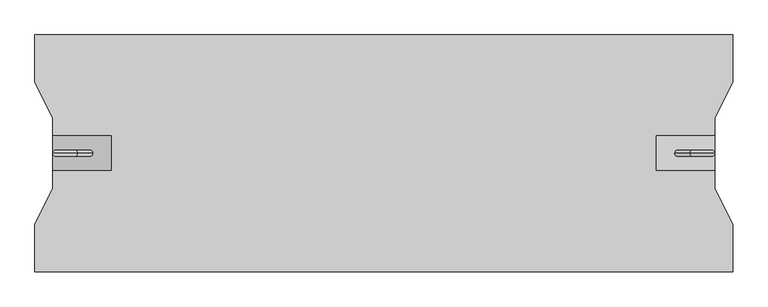
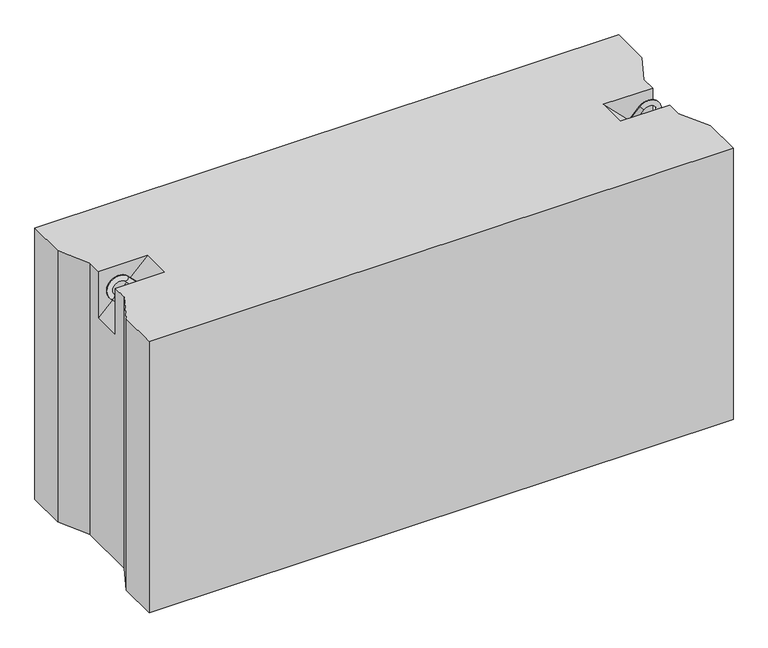
"""IFC4 building model written with IfcOpenShell, lengths in millimetres: proxy geometry."""

from ifc_helpers import new_model, si_unit, point, frame, origin, place, context, project, spatial, circle_curve, ellipse_curve, trimmed, faceted_brep, source, transform, mapped, element, save
from ifc_brep_helpers import plane_surface, cylinder_surface, revolved_surface, advanced_brep


def generic_models_4e218c60(model_context):
    return source(origin(), model_context, "Body", "SolidModel", [
        advanced_brep(
        [(1082.3223305, 0.0, 547.6776695), (1089.3933983, 0.0, 540.6066017), (1114.3933983, 0.0, 565.6066017), (1107.3223305, 0.0, 572.6776695), (1135.6066017, 0.0, 544.3933983), (1142.6776695, 0.0, 537.3223305), (1117.6776695, 0.0, 512.3223305), (1110.6066017, 0.0, 519.3933983)],
        [
            (0, 1, circle_curve(frame((1085.8578644, 0.0, 544.1421356), z_axis=(-0.7071067811865482, 0.0, -0.7071067811865468), x_axis=(0.7071067811865468, 0.0, -0.7071067811865482)), 5.0)),
            (1, 0, circle_curve(frame((1085.8578644, 0.0, 544.1421356), z_axis=(-0.7071067811865482, 0.0, -0.7071067811865468), x_axis=(0.7071067811865468, 0.0, -0.7071067811865482)), 5.0)),
            (1, 2),
            (2, 3, circle_curve(frame((1110.8578644, 0.0, 569.1421356), z_axis=(-0.7071067811865482, 0.0, -0.7071067811865468), x_axis=(0.7071067811865468, 0.0, -0.7071067811865482)), 5.0)),
            (3, 0),
            (3, 2, circle_curve(frame((1110.8578644, 0.0, 569.1421356), z_axis=(-0.7071067811865482, 0.0, -0.7071067811865468), x_axis=(0.7071067811865468, 0.0, -0.7071067811865482)), 5.0)),
            (4, 5, circle_curve(frame((1139.1421356, 0.0, 540.8578644), z_axis=(0.7071067811865457, 0.0, 0.7071067811865493), x_axis=(-0.7071067811865493, 0.0, 0.7071067811865457)), 5.0)),
            (5, 3, circle_curve(frame((1125.0, 0.0, 555.0), z_axis=(0.0, -1.0, 0.0), x_axis=(-0.7071067811865468, 0.0, 0.7071067811865482)), 25.0)),
            (2, 4, circle_curve(frame((1125.0, 0.0, 555.0), z_axis=(0.0, 1.0, 0.0), x_axis=(-0.7071067811865468, 0.0, 0.7071067811865482)), 15.0)),
            (5, 4, circle_curve(frame((1139.1421356, 0.0, 540.8578644), z_axis=(0.7071067811865459, 0.0, 0.7071067811865491), x_axis=(-0.7071067811865491, 0.0, 0.7071067811865459)), 5.0)),
            (6, 7, circle_curve(frame((1114.1421356, 0.0, 515.8578644), z_axis=(-0.7071067811865505, 0.0, -0.7071067811865446), x_axis=(-0.7071067811865446, 0.0, 0.7071067811865505)), 5.0)),
            (7, 6, circle_curve(frame((1114.1421356, 0.0, 515.8578644), z_axis=(-0.7071067811865505, 0.0, -0.7071067811865446), x_axis=(-0.7071067811865446, 0.0, 0.7071067811865505)), 5.0)),
            (4, 7),
            (6, 5),
        ],
        [
            plane_surface(frame((1082.3223305, 0.0, 547.6776695), z_axis=(-0.7071067811865482, 0.0, -0.7071067811865468), x_axis=(0.0, -1.0, 0.0))),
            cylinder_surface(frame((1085.8578644, 0.0, 544.1421356), z_axis=(-0.7071067811865482, 0.0, -0.7071067811865468), x_axis=(0.7071067811865468, 0.0, -0.7071067811865482)), 5.0),
            revolved_surface(trimmed(ellipse_curve(frame((1110.8578644, 0.0, 569.1421356), z_axis=(0.7071067811865482, 0.0, 0.7071067811865468), x_axis=(0.7071067811865468, 0.0, -0.7071067811865482)), 5.0, 5.0), [point((1107.3223305, 0.0, 572.6776695))], [point((1114.3933983, 0.0, 565.6066017))], True, "CARTESIAN"), (1125.0, 0.0, 555.0), (0.0, -1.0, 0.0)),
            revolved_surface(trimmed(ellipse_curve(frame((1110.8578644, 0.0, 569.1421356), z_axis=(0.7071067811865482, 0.0, 0.7071067811865468), x_axis=(0.7071067811865468, 0.0, -0.7071067811865482)), 5.0, 5.0), [point((1114.3933983, 0.0, 565.6066017))], [point((1107.3223305, 0.0, 572.6776695))], True, "CARTESIAN"), (1125.0, 0.0, 555.0), (0.0, -1.0, 0.0)),
            plane_surface(frame((1117.6776695, 0.0, 512.3223305), z_axis=(-0.7071067811865505, 0.0, -0.7071067811865446), x_axis=(0.0, -1.0, 0.0))),
            cylinder_surface(frame((1139.1421356, 0.0, 540.8578644), z_axis=(0.7071067811865505, 0.0, 0.7071067811865446), x_axis=(-0.7071067811865446, 0.0, 0.7071067811865505)), 5.0),
        ],
        [
            (0, [[1, 2]]),
            (1, [[3, 4, 5, -2]]),
            (1, [[-5, 6, -3, -1]]),
            (2, [[7, 8, -4, 9]]),
            (3, [[10, -9, -6, -8]]),
            (4, [[11, 12]]),
            (5, [[13, -11, 14, -7]]),
            (5, [[-14, -12, -13, -10]]),
        ],
    ),
        advanced_brep(
        [(97.6776695, 0.0, 547.6776695), (90.6066017, 0.0, 540.6066017), (72.6776695, 0.0, 572.6776695), (65.6066017, 0.0, 565.6066017), (44.3933983, 0.0, 544.3933983), (37.3223305, 0.0, 537.3223305), (62.3223305, 0.0, 512.3223305), (69.3933983, 0.0, 519.3933983)],
        [
            (0, 1, circle_curve(frame((94.1421356, 0.0, 544.1421356), z_axis=(0.707106781186546, 0.0, -0.707106781186549), x_axis=(-0.707106781186549, 0.0, -0.707106781186546)), 5.0)),
            (1, 0, circle_curve(frame((94.1421356, 0.0, 544.1421356), z_axis=(0.707106781186546, 0.0, -0.707106781186549), x_axis=(-0.707106781186549, 0.0, -0.707106781186546)), 5.0)),
            (0, 2),
            (2, 3, circle_curve(frame((69.1421356, 0.0, 569.1421356), z_axis=(0.707106781186546, 0.0, -0.707106781186549), x_axis=(-0.707106781186549, 0.0, -0.707106781186546)), 5.0)),
            (3, 1),
            (3, 2, circle_curve(frame((69.1421356, 0.0, 569.1421356), z_axis=(0.707106781186546, 0.0, -0.707106781186549), x_axis=(-0.707106781186549, 0.0, -0.707106781186546)), 5.0)),
            (4, 3, circle_curve(frame((55.0, 0.0, 555.0), z_axis=(0.0, 1.0, 0.0), x_axis=(0.707106781186549, 0.0, 0.707106781186546)), 15.0)),
            (2, 5, circle_curve(frame((55.0, 0.0, 555.0), z_axis=(0.0, -1.0, 0.0), x_axis=(0.707106781186549, 0.0, 0.707106781186546)), 25.0)),
            (5, 4, circle_curve(frame((40.8578644, 0.0, 540.8578644), z_axis=(-0.7071067811865437, 0.0, 0.7071067811865513), x_axis=(0.7071067811865513, 0.0, 0.7071067811865437)), 5.0)),
            (4, 5, circle_curve(frame((40.8578644, 0.0, 540.8578644), z_axis=(-0.7071067811865437, 0.0, 0.7071067811865513), x_axis=(0.7071067811865513, 0.0, 0.7071067811865437)), 5.0)),
            (6, 7, circle_curve(frame((65.8578644, 0.0, 515.8578644), z_axis=(0.7071067811865482, 0.0, -0.7071067811865468), x_axis=(0.7071067811865468, 0.0, 0.7071067811865482)), 5.0)),
            (7, 6, circle_curve(frame((65.8578644, 0.0, 515.8578644), z_axis=(0.7071067811865482, 0.0, -0.7071067811865468), x_axis=(0.7071067811865468, 0.0, 0.7071067811865482)), 5.0)),
            (5, 6),
            (7, 4),
        ],
        [
            plane_surface(frame((97.6776695, 0.0, 547.6776695), z_axis=(0.707106781186546, 0.0, -0.707106781186549), x_axis=(0.0, -1.0, 0.0))),
            cylinder_surface(frame((94.1421356, 0.0, 544.1421356), z_axis=(0.707106781186546, 0.0, -0.707106781186549), x_axis=(-0.707106781186549, 0.0, -0.707106781186546)), 5.0),
            revolved_surface(trimmed(ellipse_curve(frame((69.1421356, 0.0, 569.1421356), z_axis=(0.707106781186546, 0.0, -0.707106781186549), x_axis=(-0.707106781186549, 0.0, -0.707106781186546)), 5.0, 5.0), [point((72.6776695, 0.0, 572.6776695))], [point((65.6066017, 0.0, 565.6066017))], True, "CARTESIAN"), (55.0, 0.0, 555.0), (0.0, -1.0, 0.0)),
            revolved_surface(trimmed(ellipse_curve(frame((69.1421356, 0.0, 569.1421356), z_axis=(0.707106781186546, 0.0, -0.707106781186549), x_axis=(-0.707106781186549, 0.0, -0.707106781186546)), 5.0, 5.0), [point((65.6066017, 0.0, 565.6066017))], [point((72.6776695, 0.0, 572.6776695))], True, "CARTESIAN"), (55.0, 0.0, 555.0), (0.0, -1.0, 0.0)),
            plane_surface(frame((62.3223305, 0.0, 512.3223305), z_axis=(0.7071067811865482, 0.0, -0.7071067811865468), x_axis=(0.0, -1.0, 0.0))),
            cylinder_surface(frame((40.8578644, 0.0, 540.8578644), z_axis=(-0.7071067811865482, 0.0, 0.7071067811865468), x_axis=(0.7071067811865468, 0.0, 0.7071067811865482)), 5.0),
        ],
        [
            (0, [[1, 2]]),
            (1, [[-1, 3, 4, 5]]),
            (1, [[-2, -5, 6, -3]]),
            (2, [[7, -4, 8, 9]]),
            (3, [[-8, -6, -7, 10]]),
            (4, [[11, 12]]),
            (5, [[-9, 13, -12, 14]]),
            (5, [[-10, -14, -11, -13]]),
        ],
    ),
        faceted_brep([(1180.0, 200.0, 580.0), (0.0, 200.0, 580.0), (0.0, 120.0, 580.0), (30.0, 60.0, 580.0), (30.0, 30.0, 580.0), (130.0, 30.0, 580.0), (130.0, -30.0, 580.0), (30.0, -30.0, 580.0), (30.0, -60.0, 580.0), (0.0, -120.0, 580.0), (0.0, -200.0, 580.0), (1180.0, -200.0, 580.0), (1180.0, -120.0, 580.0), (1150.0, -60.0, 580.0), (1150.0, -30.0, 580.0), (1050.0, -30.0, 580.0), (1050.0, 30.0, 580.0), (1150.0, 30.0, 580.0), (1150.0, 60.0, 580.0), (1180.0, 120.0, 580.0), (1180.0, 200.0, 0.0), (1180.0, 120.0, 0.0), (1150.0, 60.0, 0.0), (1150.0, -60.0, 0.0), (1180.0, -120.0, 0.0), (1180.0, -200.0, 0.0), (0.0, -200.0, 0.0), (0.0, -120.0, 0.0), (30.0, -60.0, 0.0), (30.0, 60.0, 0.0), (0.0, 120.0, 0.0), (0.0, 200.0, 0.0), (30.0, -30.0, 480.0), (30.0, 30.0, 480.0), (1150.0, 30.0, 480.0), (1150.0, -30.0, 480.0)], [[[0, 1, 2, 3, 4, 5, 6, 7, 8, 9, 10, 11, 12, 13, 14, 15, 16, 17, 18, 19]], [[20, 21, 22, 23, 24, 25, 26, 27, 28, 29, 30, 31]], [[1, 0, 20, 31]], [[10, 9, 27, 26]], [[11, 10, 26, 25]], [[0, 19, 21, 20]], [[2, 1, 31, 30]], [[3, 2, 30, 29]], [[29, 28, 8, 7, 32, 33, 4, 3]], [[9, 8, 28, 27]], [[12, 11, 25, 24]], [[13, 12, 24, 23]], [[23, 22, 18, 17, 34, 35, 14, 13]], [[19, 18, 22, 21]], [[6, 32, 7]], [[35, 15, 14]], [[33, 5, 4]], [[16, 34, 17]], [[32, 6, 5, 33]], [[15, 35, 34, 16]]]),
    ])


if __name__ == "__main__":
    model = new_model("IFC4")
    model_context = context("Model", 3, world=origin())
    ifc_project = project(units=[si_unit("LENGTHUNIT", "METRE", prefix="MILLI")], contexts=[model_context])
    site = spatial("IfcSite", under=ifc_project)
    building = spatial("IfcBuilding", under=site)
    placement = place(None, origin())
    generic_models_shape = generic_models_4e218c60(model_context)
    element("IfcBuildingElementProxy", 1, Name="Generic Models", at=placement, inside=building, context=model_context, shape_type="MappedRepresentation", body=[
        mapped(generic_models_shape, transform((0.0, 0.0, 0.0), x_axis=(1.0, 0.0, 0.0), y_axis=(0.0, 1.0, 0.0), z_axis=(0.0, 0.0, 1.0))),
    ])
    save(model, "model.ifc")
